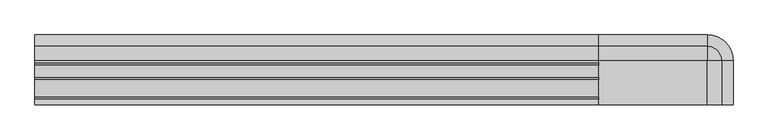
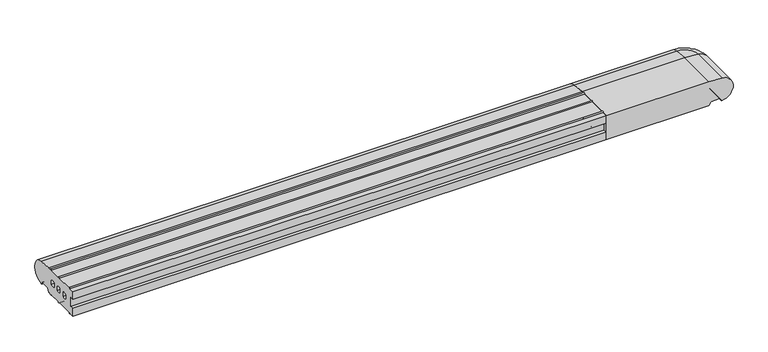
"""IFC4 building model written with IfcOpenShell, lengths in millimetres: proxy geometry."""

from ifc_helpers import new_model, si_unit, point, frame, frame_2d, origin, place, context, project, spatial, polyline, circle_curve, ellipse_curve, trimmed, segment, composite_curve, outline, extrude, source, transform, mapped, element, save
from ifc_brep_helpers import plane_surface, cylinder_surface, revolved_surface, advanced_brep


def generic_models_3b0db22c(model_context):
    return source(origin(), model_context, "Body", "SolidModel", [
        advanced_brep(
        [(1328.5981483, -85.0, 2.5074549), (1330.0858073, -85.0, 50.4091909), (1302.0, -85.0, 52.8593609), (1092.0, -85.0, 52.8593609), (1092.0, -85.0, 0.0), (1302.0, -85.0, 0.0), (1305.7527767, -85.0, 6.5), (1307.4848276, -85.0, 7.5), (1323.9585481, -85.0, 7.5), (1325.6905989, -85.0, 6.5), (1327.7072001, -85.0, 3.0071443), (1327.7072001, 0.0, 3.0071443), (1328.5981483, 0.0, 2.5074549), (1325.6905989, 0.0, 6.5), (1323.9585481, 0.0, 7.5), (1307.4848276, 0.0, 7.5), (1302.0, 5.4848276, 7.5), (1092.0, 5.4848276, 7.5), (1092.0, 21.9585481, 7.5), (1302.0, 21.9585481, 7.5), (1305.7527767, 0.0, 6.5), (1302.0, 0.0, 0.0), (1330.0858073, 0.0, 50.4091909), (1302.0, 0.0, 52.8593609), (1092.0, 26.5981483, 2.5074549), (1092.0, 25.7072001, 3.0071443), (1092.0, 23.6905989, 6.5), (1092.0, 3.7527767, 6.5), (1092.0, 0.0, 0.0), (1092.0, 0.0, 52.8593609), (1092.0, 28.0858073, 50.4091909), (1302.0, 26.5981483, 2.5074549), (1302.0, 25.7072001, 3.0071443), (1302.0, 23.6905989, 6.5), (1302.0, 3.7527767, 6.5), (1302.0, 28.0858073, 50.4091909)],
        [
            (0, 1, circle_curve(frame((1328.0, -85.0, 26.5), z_axis=(0.0, -1.0, 0.0), x_axis=(1.0, 0.0, 0.0)), 24.0)),
            (1, 2),
            (2, 3),
            (3, 4),
            (4, 5),
            (5, 6),
            (6, 7, circle_curve(frame((1307.4848276, -85.0, 5.5), z_axis=(0.0, 1.0, 0.0), x_axis=(1.0, 0.0, 0.0)), 2.0)),
            (7, 8),
            (8, 9, circle_curve(frame((1323.9585481, -85.0, 5.5), z_axis=(0.0, 1.0, 0.0), x_axis=(1.0, 0.0, 0.0)), 2.0)),
            (9, 10),
            (10, 0, circle_curve(frame((1328.5732255, -85.0, 3.5071443), z_axis=(0.0, -1.0, 0.0), x_axis=(1.0, 0.0, 0.0)), 1.0)),
            (10, 11),
            (11, 12, circle_curve(frame((1328.5732255, 0.0, 3.5071443), z_axis=(0.0, -1.0, 0.0), x_axis=(1.0, 0.0, 0.0)), 1.0)),
            (12, 0),
            (9, 13),
            (13, 11),
            (8, 14),
            (14, 13, circle_curve(frame((1323.9585481, 0.0, 5.5), z_axis=(0.0, 1.0, 0.0), x_axis=(1.0, 0.0, 0.0)), 2.0)),
            (7, 15),
            (15, 16, circle_curve(frame((1302.0, 0.0, 7.5), z_axis=(0.0, 0.0, 1.0), x_axis=(1.0, 0.0, 0.0)), 5.4848276)),
            (16, 17),
            (17, 18),
            (18, 19),
            (19, 14, circle_curve(frame((1302.0, 0.0, 7.5), z_axis=(0.0, 0.0, -1.0), x_axis=(1.0, 0.0, 0.0)), 21.9585481)),
            (6, 20),
            (20, 15, circle_curve(frame((1307.4848276, 0.0, 5.5), z_axis=(0.0, 1.0, 0.0), x_axis=(1.0, 0.0, 0.0)), 2.0)),
            (5, 21),
            (21, 20),
            (1, 22),
            (22, 23),
            (23, 2),
            (12, 22, circle_curve(frame((1328.0, 0.0, 26.5), z_axis=(0.0, -1.0, 0.0), x_axis=(1.0, 0.0, 0.0)), 24.0)),
            (24, 25, circle_curve(frame((1092.0, 26.5732255, 3.5071443), z_axis=(-1.0, 0.0, 0.0), x_axis=(0.0, 1.0, 0.0)), 1.0)),
            (25, 26),
            (26, 18, circle_curve(frame((1092.0, 21.9585481, 5.5), z_axis=(1.0, 0.0, 0.0), x_axis=(0.0, 1.0, 0.0)), 2.0)),
            (17, 27, circle_curve(frame((1092.0, 5.4848276, 5.5), z_axis=(1.0, 0.0, 0.0), x_axis=(0.0, 1.0, 0.0)), 2.0)),
            (27, 28),
            (28, 4),
            (3, 29),
            (29, 30),
            (30, 24, circle_curve(frame((1092.0, 26.0, 26.5), z_axis=(-1.0, 0.0, 0.0), x_axis=(0.0, 1.0, 0.0)), 24.0)),
            (24, 31),
            (31, 32, circle_curve(frame((1302.0, 26.5732255, 3.5071443), z_axis=(-1.0, 0.0, 0.0), x_axis=(0.0, 1.0, 0.0)), 1.0)),
            (32, 25),
            (32, 33),
            (33, 26),
            (33, 19, circle_curve(frame((1302.0, 21.9585481, 5.5), z_axis=(1.0, 0.0, 0.0), x_axis=(0.0, 1.0, 0.0)), 2.0)),
            (16, 34, circle_curve(frame((1302.0, 5.4848276, 5.5), z_axis=(1.0, 0.0, 0.0), x_axis=(0.0, 1.0, 0.0)), 2.0)),
            (34, 27),
            (34, 21),
            (21, 28),
            (23, 29),
            (23, 35),
            (35, 30),
            (35, 31, circle_curve(frame((1302.0, 26.0, 26.5), z_axis=(-1.0, 0.0, 0.0), x_axis=(0.0, 1.0, 0.0)), 24.0)),
            (35, 22, circle_curve(frame((1302.0, 0.0, 50.4091909), z_axis=(0.0, 0.0, -1.0), x_axis=(1.0, 0.0, 0.0)), 28.0858073)),
            (12, 31, circle_curve(frame((1302.0, 0.0, 2.5074549), z_axis=(0.0, 0.0, 1.0), x_axis=(1.0, 0.0, 0.0)), 26.5981483)),
            (11, 32, circle_curve(frame((1302.0, 0.0, 3.0071443), z_axis=(0.0, 0.0, 1.0), x_axis=(1.0, 0.0, 0.0)), 25.7072001)),
            (13, 33, circle_curve(frame((1302.0, 0.0, 6.5), z_axis=(0.0, 0.0, 1.0), x_axis=(1.0, 0.0, 0.0)), 23.6905989)),
            (20, 34, circle_curve(frame((1302.0, 0.0, 6.5), z_axis=(0.0, 0.0, 1.0), x_axis=(1.0, 0.0, 0.0)), 3.7527767)),
        ],
        [
            plane_surface(frame((1302.0, -85.0, 0.0), z_axis=(0.0, -1.0, 0.0), x_axis=(0.0, 0.0, 1.0))),
            cylinder_surface(frame((1328.5732255, 0.0, 3.5071443), z_axis=(0.0, 1.0, 0.0), x_axis=(1.0, 0.0, 0.0)), 1.0),
            plane_surface(frame((1327.7072001, 0.0, 3.0071443), z_axis=(-0.8660254037844395, 0.0, -0.4999999999999987), x_axis=(0.0, -1.0, 0.0))),
            revolved_surface(polyline([(1325.9585481, -85.0, 5.5), (1325.9585481, 0.0, 5.5)]), (1323.9585481, 0.0, 5.5), (0.0, -1.0, 0.0)),
            plane_surface(frame((1323.9585481, 0.0, 7.5), z_axis=(0.0, 0.0, -1.0), x_axis=(0.0, -1.0, 0.0))),
            revolved_surface(polyline([(1309.4848276, -85.0, 5.5), (1309.4848276, 0.0, 5.5)]), (1307.4848276, 0.0, 5.5), (0.0, -1.0, 0.0)),
            plane_surface(frame((1305.7527767, 0.0, 6.5), z_axis=(0.8660254037844367, 0.0, -0.5000000000000033), x_axis=(0.0, -1.0, 0.0))),
            plane_surface(frame((1302.0, 0.0, 52.8593609), z_axis=(0.0869086394462769, 0.0, 0.9962162859487879), x_axis=(0.0, -1.0, 0.0))),
            cylinder_surface(frame((1328.0, 0.0, 26.5), z_axis=(0.0, 1.0, 0.0), x_axis=(1.0, 0.0, 0.0)), 24.0),
            plane_surface(frame((1092.0, 0.0, 0.0), z_axis=(-1.0, 0.0, 0.0), x_axis=(0.0, 0.0, 1.0))),
            cylinder_surface(frame((1092.0, 26.5732255, 3.5071443), z_axis=(-1.0, 0.0, 0.0), x_axis=(0.0, 1.0, 0.0)), 1.0),
            plane_surface(frame((1092.0, 25.7072001, 3.0071443), z_axis=(0.0, -0.8660254037844395, -0.4999999999999987), x_axis=(1.0, 0.0, 0.0))),
            revolved_surface(polyline([(1302.0, 23.9585481, 5.5), (1092.0, 23.9585481, 5.5)]), (1092.0, 21.9585481, 5.5), (1.0, 0.0, 0.0)),
            revolved_surface(polyline([(1302.0, 7.4848276, 5.5), (1092.0, 7.4848276, 5.5)]), (1092.0, 5.4848276, 5.5), (1.0, 0.0, 0.0)),
            plane_surface(frame((1092.0, 3.7527767, 6.5), z_axis=(0.0, 0.8660254037844367, -0.5000000000000033), x_axis=(1.0, 0.0, 0.0))),
            plane_surface(frame((1092.0, 0.0, 0.0), z_axis=(0.0, 0.0, -1.0), x_axis=(1.0, 0.0, 0.0))),
            plane_surface(frame((1092.0, -85.0, 52.8593609), z_axis=(0.0, 0.0, 1.0), x_axis=(1.0, 0.0, 0.0))),
            plane_surface(frame((1092.0, 0.0, 52.8593609), z_axis=(0.0, 0.0869086394462769, 0.9962162859487879), x_axis=(1.0, 0.0, 0.0))),
            cylinder_surface(frame((1092.0, 26.0, 26.5), z_axis=(-1.0, 0.0, 0.0), x_axis=(0.0, 1.0, 0.0)), 24.0),
            revolved_surface(trimmed(ellipse_curve(frame((1328.0, 0.0, 26.5), z_axis=(0.0, 1.0, 0.0), x_axis=(1.0, 0.0, 0.0)), 24.0, 24.0), [point((1330.0858073, 0.0, 50.4091909))], [point((1328.5981483, 0.0, 2.5074549))], True, "CARTESIAN"), (1302.0, 0.0, 0.0), (0.0, 0.0, -1.0)),
            revolved_surface(trimmed(ellipse_curve(frame((1328.5732255, 0.0, 3.5071443), z_axis=(0.0, 1.0, 0.0), x_axis=(1.0, 0.0, 0.0)), 1.0, 1.0), [point((1328.5981483, 0.0, 2.5074549))], [point((1327.7072001, 0.0, 3.0071443))], True, "CARTESIAN"), (1302.0, 0.0, 0.0), (0.0, 0.0, -1.0)),
            revolved_surface(polyline([(1327.7072001, 0.0, 3.0071443), (1325.6905989, 0.0, 6.5)]), (1302.0, 0.0, 0.0), (0.0, 0.0, -1.0)),
            revolved_surface(trimmed(ellipse_curve(frame((1323.9585481, 0.0, 5.5), z_axis=(0.0, -1.0, 0.0), x_axis=(1.0, 0.0, 0.0)), 2.0, 2.0), [point((1325.6905989, 0.0, 6.5))], [point((1323.9585481, 0.0, 7.5))], True, "CARTESIAN"), (1302.0, 0.0, 0.0), (0.0, 0.0, -1.0)),
            revolved_surface(trimmed(ellipse_curve(frame((1307.4848276, 0.0, 5.5), z_axis=(0.0, -1.0, 0.0), x_axis=(1.0, 0.0, 0.0)), 2.0, 2.0), [point((1307.4848276, 0.0, 7.5))], [point((1305.7527767, 0.0, 6.5))], True, "CARTESIAN"), (1302.0, 0.0, 0.0), (0.0, 0.0, -1.0)),
            revolved_surface(polyline([(1305.7527767, 0.0, 6.5), (1302.0, 0.0, 0.0)]), (1302.0, 0.0, 0.0), (0.0, 0.0, -1.0)),
            revolved_surface(polyline([(1302.0, 0.0, 52.8593609), (1330.0858073, 0.0, 50.4091909)]), (1302.0, 0.0, 0.0), (0.0, 0.0, -1.0)),
        ],
        [
            (0, [[1, 2, 3, 4, 5, 6, 7, 8, 9, 10, 11]]),
            (1, [[-11, 12, 13, 14]]),
            (2, [[-10, 15, 16, -12]]),
            (3, [[-9, 17, 18, -15]]),
            (4, [[-8, 19, 20, 21, 22, 23, 24, -17]]),
            (5, [[-7, 25, 26, -19]]),
            (6, [[-6, 27, 28, -25]]),
            (7, [[-2, 29, 30, 31]]),
            (8, [[-1, -14, 32, -29]]),
            (9, [[33, 34, 35, -22, 36, 37, 38, -4, 39, 40, 41]]),
            (10, [[-33, 42, 43, 44]]),
            (11, [[-34, -44, 45, 46]]),
            (12, [[-35, -46, 47, -23]]),
            (13, [[-36, -21, 48, 49]]),
            (14, [[-37, -49, 50, 51]]),
            (15, [[-38, -51, -27, -5]]),
            (16, [[-39, -3, -31, 52]]),
            (17, [[-40, -52, 53, 54]]),
            (18, [[-41, -54, 55, -42]]),
            (19, [[56, -32, 57, -55]]),
            (20, [[-57, -13, 58, -43]]),
            (21, [[-58, -16, 59, -45]]),
            (22, [[-59, -18, -24, -47]]),
            (23, [[-20, -26, 60, -48]]),
            (24, [[-60, -28, -50]]),
            (25, [[-56, -53, -30]]),
        ],
    ),
        extrude(outline(composite_curve([segment(trimmed(circle_curve(frame_2d((26.5732255, 3.5071443)), 1.0), [point((26.5981483, 2.5074549))], [point((25.7072001, 3.0071443))], False, "CARTESIAN"), True, "CONTINUOUS"), segment(polyline([(25.7072001, 3.0071443), (23.6905989, 6.5)]), True, "CONTINUOUS"), segment(trimmed(circle_curve(frame_2d((21.9585481, 5.5)), 2.0), [point((23.6905989, 6.5))], [point((21.9585481, 7.5))], True, "CARTESIAN"), True, "CONTINUOUS"), segment(polyline([(21.9585481, 7.5), (5.4848276, 7.5)]), True, "CONTINUOUS"), segment(trimmed(circle_curve(frame_2d((5.4848276, 5.5)), 2.0), [point((5.4848276, 7.5))], [point((3.7527767, 6.5))], True, "CARTESIAN"), True, "CONTINUOUS"), segment(polyline([(3.7527767, 6.5), (0.2886751, 0.5)]), True, "CONTINUOUS"), segment(trimmed(circle_curve(frame_2d((-0.5773503, 1.0)), 1.0), [point((0.2886751, 0.5))], [point((-0.5773503, 0.0))], False, "CARTESIAN"), True, "CONTINUOUS"), segment(polyline([(-0.5773503, 0.0), (-5.0, 0.0)]), True, "CONTINUOUS"), segment(trimmed(circle_curve(frame_2d((-6.75, 0.0)), 1.75), [point((-5.0, 0.0))], [point((-8.5, 0.0))], False, "CARTESIAN"), True, "CONTINUOUS"), segment(polyline([(-8.5, 0.0), (-33.0, 0.0)]), True, "CONTINUOUS"), segment(trimmed(circle_curve(frame_2d((-34.75, 0.0)), 1.75), [point((-33.0, 0.0))], [point((-36.5, 0.0))], False, "CARTESIAN"), True, "CONTINUOUS"), segment(polyline([(-36.5, 0.0), (-71.0, 0.0)]), True, "CONTINUOUS"), segment(trimmed(circle_curve(frame_2d((-72.75, 0.0)), 1.75), [point((-71.0, 0.0))], [point((-74.5, 0.0))], False, "CARTESIAN"), True, "CONTINUOUS"), segment(polyline([(-74.5, 0.0), (-85.0, 0.0), (-85.0, 16.5), (-78.0, 16.5), (-78.0, 36.5), (-85.0, 36.5), (-85.0, 52.8558627), (-74.5, 52.8558627)]), True, "CONTINUOUS"), segment(trimmed(circle_curve(frame_2d((-72.75, 52.8558627)), 1.75), [point((-74.5, 52.8558627))], [point((-71.0, 52.8558627))], False, "CARTESIAN"), True, "CONTINUOUS"), segment(polyline([(-71.0, 52.8558627), (-36.5, 52.8558627)]), True, "CONTINUOUS"), segment(trimmed(circle_curve(frame_2d((-34.75, 52.8558627)), 1.75), [point((-36.5, 52.8558627))], [point((-33.0, 52.8558627))], False, "CARTESIAN"), True, "CONTINUOUS"), segment(polyline([(-33.0, 52.8558627), (-8.5, 52.8558627)]), True, "CONTINUOUS"), segment(trimmed(circle_curve(frame_2d((-6.75, 52.8558627)), 1.75), [point((-8.5, 52.8558627))], [point((-5.0, 52.8558627))], False, "CARTESIAN"), True, "CONTINUOUS"), segment(polyline([(-5.0, 52.8558627), (0.0400993, 52.8558627), (28.0858073, 50.4091909)]), True, "CONTINUOUS"), segment(trimmed(circle_curve(frame_2d((26.0, 26.5)), 24.0), [point((28.0858073, 50.4091909))], [point((26.5981483, 2.5074549))], False, "CARTESIAN"), True, "CONTINUOUS")], self_intersect=False), holes=[composite_curve([segment(trimmed(circle_curve(frame_2d((-13.0, 23.4166667)), 9.0833333), [point((-8.0, 31.0))], [point((-18.0, 31.0))], True, "CARTESIAN"), True, "CONTINUOUS"), segment(polyline([(-18.0, 31.0), (-18.0, 22.0)]), True, "CONTINUOUS"), segment(trimmed(circle_curve(frame_2d((-13.0, 29.5833333)), 9.0833333), [point((-18.0, 22.0))], [point((-8.0, 22.0))], True, "CARTESIAN"), True, "CONTINUOUS"), segment(polyline([(-8.0, 22.0), (-8.0, 31.0)]), True, "CONTINUOUS")], self_intersect=False), composite_curve([segment(polyline([(-29.0, 22.0), (-29.0, 31.0)]), True, "CONTINUOUS"), segment(trimmed(circle_curve(frame_2d((-34.0, 23.4166667)), 9.0833333), [point((-29.0, 31.0))], [point((-39.0, 31.0))], True, "CARTESIAN"), True, "CONTINUOUS"), segment(polyline([(-39.0, 31.0), (-39.0, 22.0)]), True, "CONTINUOUS"), segment(trimmed(circle_curve(frame_2d((-34.0, 29.5833333)), 9.0833333), [point((-39.0, 22.0))], [point((-29.0, 22.0))], True, "CARTESIAN"), True, "CONTINUOUS")], self_intersect=False), composite_curve([segment(polyline([(-50.0, 22.0), (-50.0, 31.0)]), True, "CONTINUOUS"), segment(trimmed(circle_curve(frame_2d((-55.0, 23.4166667)), 9.0833333), [point((-50.0, 31.0))], [point((-60.0, 31.0))], True, "CARTESIAN"), True, "CONTINUOUS"), segment(polyline([(-60.0, 31.0), (-60.0, 22.0)]), True, "CONTINUOUS"), segment(trimmed(circle_curve(frame_2d((-55.0, 29.5833333)), 9.0833333), [point((-60.0, 22.0))], [point((-50.0, 22.0))], True, "CARTESIAN"), True, "CONTINUOUS")], self_intersect=False)]), frame((0.0, 0.0, 0.0), z_axis=(1.0, 0.0, 0.0), x_axis=(0.0, 1.0, 0.0)), (0.0, 0.0, 1.0), 1092.0),
    ])


if __name__ == "__main__":
    model = new_model("IFC4")
    model_context = context("Model", 3, world=origin())
    ifc_project = project(units=[si_unit("LENGTHUNIT", "METRE", prefix="MILLI")], contexts=[model_context])
    site = spatial("IfcSite", under=ifc_project)
    building = spatial("IfcBuilding", under=site)
    placement = place(None, origin())
    generic_models_shape = generic_models_3b0db22c(model_context)
    element("IfcBuildingElementProxy", 1, Name="Generic Models", at=placement, inside=building, context=model_context, shape_type="MappedRepresentation", body=[
        mapped(generic_models_shape, transform((0.0, 0.0, 0.0), x_axis=(1.0, 0.0, 0.0), y_axis=(0.0, 1.0, 0.0), z_axis=(0.0, 0.0, 1.0))),
    ])
    save(model, "model.ifc")
